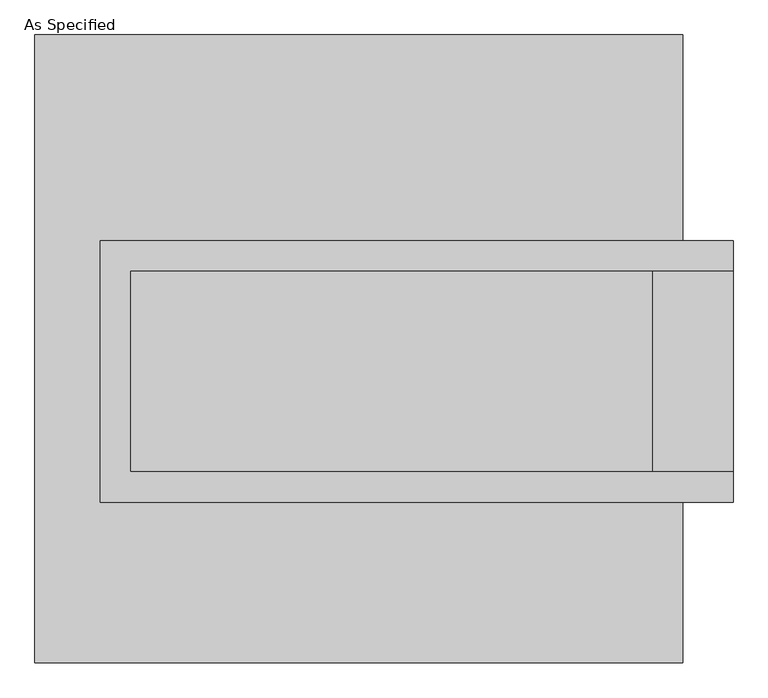
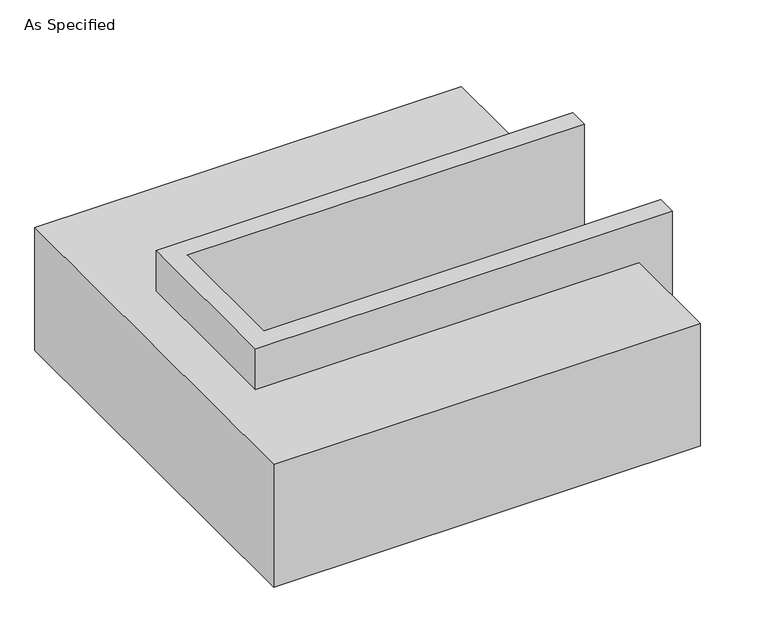
"""IFC4 building model written with IfcOpenShell, lengths in millimetres: proxy geometry, As Specified."""

from ifc_helpers import new_model, si_unit, origin, place, context, project, spatial, faceted_brep, source, transform, mapped, element, save


def as_specified_6a4a1a2e(model_context):
    return source(origin(), model_context, "Body", "Brep", [
        faceted_brep([(-654.05, 273.05, 139.7), (-654.05, 273.05, -393.7), (-654.05, 196.85, -393.7), (-654.05, 196.85, -25.4), (-654.05, -311.15, -25.4), (-654.05, -311.15, -393.7), (-654.05, -387.35, -393.7), (-654.05, -387.35, 139.7), (946.15, 196.85, 139.7), (946.15, 196.85, -317.5), (946.15, -311.15, -317.5), (946.15, -311.15, 139.7), (946.15, -387.35, 139.7), (946.15, -387.35, -393.7), (946.15, 273.05, -393.7), (946.15, 273.05, 139.7), (-577.85, -311.15, 139.7), (-577.85, 196.85, 139.7), (742.95, -311.15, -393.7), (742.95, 196.85, -393.7), (742.95, -311.15, -317.5), (-577.85, -311.15, -25.4), (742.95, 196.85, -317.5), (-577.85, 196.85, -25.4)], [[[0, 1, 2, 3, 4, 5, 6, 7]], [[8, 9, 10, 11, 12, 13, 14, 15]], [[0, 7, 12, 11, 16, 17, 8, 15]], [[1, 0, 15, 14]], [[14, 13, 6, 5, 18, 19, 2, 1]], [[7, 6, 13, 12]], [[11, 10, 20, 18, 5, 4, 21, 16]], [[10, 9, 22, 20]], [[9, 8, 17, 23, 3, 2, 19, 22]], [[18, 20, 22, 19]], [[23, 21, 4, 3]], [[17, 16, 21, 23]]]),
        faceted_brep([(-819.15, 793.75, -523.9742188), (819.15, 793.75, -523.9742188), (819.15, -793.75, -523.9742188), (-819.15, -793.75, -523.9742188), (819.15, 793.75, -25.4), (-819.15, 793.75, -25.4), (-819.15, -793.75, -25.4), (819.15, -793.75, -25.4), (819.15, -387.35, -25.4), (-654.05, -387.35, -25.4), (-654.05, 273.05, -25.4), (819.15, 273.05, -25.4), (819.15, 273.05, -393.7), (819.15, -387.35, -393.7), (-654.05, -387.35, -393.7), (-654.05, 273.05, -393.7)], [[[0, 1, 2, 3]], [[4, 5, 6, 7, 8, 9, 10, 11]], [[1, 0, 5, 4]], [[5, 0, 3, 6]], [[1, 4, 11, 12, 13, 8, 7, 2]], [[3, 2, 7, 6]], [[14, 15, 10, 9]], [[10, 15, 12, 11]], [[15, 14, 13, 12]], [[14, 9, 8, 13]]]),
    ])


if __name__ == "__main__":
    model = new_model("IFC4")
    model_context = context("Model", 3, world=origin())
    ifc_project = project(units=[si_unit("LENGTHUNIT", "METRE", prefix="MILLI")], contexts=[model_context])
    site = spatial("IfcSite", under=ifc_project)
    building = spatial("IfcBuilding", under=site)
    placement = place(None, origin())
    as_specified_shape = as_specified_6a4a1a2e(model_context)
    element("IfcBuildingElementProxy", 1, Name="As Specified", ObjectType="As Specified", at=placement, inside=building, context=model_context, shape_type="MappedRepresentation", body=[
        mapped(as_specified_shape, transform((0.0, 0.0, 0.0), x_axis=(1.0, 0.0, 0.0), y_axis=(0.0, 1.0, 0.0), z_axis=(0.0, 0.0, 1.0))),
    ])
    save(model, "model.ifc")
